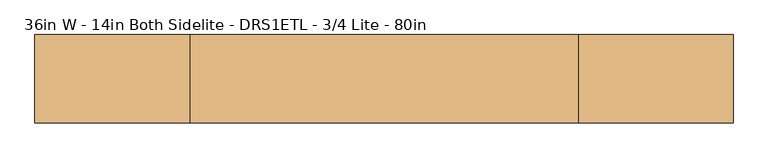
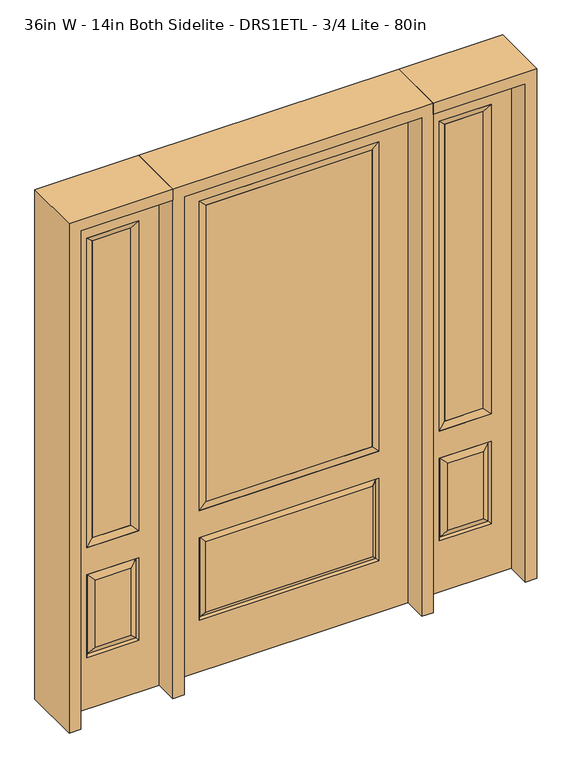
"""IFC4 building model written with IfcOpenShell, lengths in millimetres: door geometry, 36in W - 14in Both Sidelite - DRS1ETL - 3/4 Lite - 80in."""

from ifc_helpers import new_model, si_unit, frame, origin, place, context, project, spatial, polyline, outline, extrude, faceted_brep, source, transform, mapped, element, save


def door_36in_w_14in_both_sidelite_drs1etl_3_4_lite_80in_899e8d08(model_context):
    return source(origin(), model_context, "Body", "SolidModel", [
        faceted_brep([(501.65, -22.225, 0.0), (857.25, -22.225, 0.0), (857.25, -22.225, 2032.0), (501.65, -22.225, 2032.0), (779.78, -22.225, 1919.224), (779.78, -22.225, 657.098), (579.12, -22.225, 657.098), (579.12, -22.225, 1919.224), (779.78, -22.225, 209.55), (579.12, -22.225, 209.55), (579.12, -22.225, 546.1), (779.78, -22.225, 546.1), (610.8351001, -22.225, 241.2651001), (748.0648999, -22.225, 241.2651001), (748.0648999, -22.225, 514.3848999), (610.8351001, -22.225, 514.3848999), (501.65, 22.225, 0.0), (501.65, 22.225, 2032.0), (857.25, 22.225, 2032.0), (857.25, 22.225, 0.0), (779.78, 22.225, 1919.224), (579.12, 22.225, 1919.224), (579.12, 22.225, 657.098), (779.78, 22.225, 657.098), (579.12, 22.225, 209.55), (779.78, 22.225, 209.55), (779.78, 22.225, 546.1), (579.12, 22.225, 546.1), (748.0648999, 22.225, 241.2651001), (610.8351001, 22.225, 241.2651001), (610.8351001, 22.225, 514.3848999), (748.0648999, 22.225, 514.3848999), (772.6711499, 12.7912373, 216.6588501), (586.2288501, 12.7912373, 216.6588501), (586.2288501, 12.7912373, 538.9911499), (772.6711499, 12.7912373, 538.9911499), (586.2288501, -12.7912373, 216.6588501), (772.6711499, -12.7912373, 216.6588501), (586.2288501, -12.7912373, 538.9911499), (772.6711499, -12.7912373, 538.9911499)], [[[0, 1, 2, 3], [4, 5, 6, 7], [8, 9, 10, 11]], [[12, 13, 14, 15]], [[16, 17, 18, 19], [20, 21, 22, 23], [24, 25, 26, 27]], [[28, 29, 30, 31]], [[1, 0, 16, 19]], [[2, 1, 19, 18]], [[3, 2, 18, 17]], [[0, 3, 17, 16]], [[5, 4, 20, 23]], [[6, 5, 23, 22]], [[7, 6, 22, 21]], [[4, 7, 21, 20]], [[32, 33, 29, 28]], [[33, 32, 25, 24]], [[29, 33, 34, 30]], [[33, 24, 27, 34]], [[30, 34, 35, 31]], [[34, 27, 26, 35]], [[32, 28, 31, 35]], [[25, 32, 35, 26]], [[12, 36, 37, 13]], [[37, 36, 9, 8]], [[36, 12, 15, 38]], [[9, 36, 38, 10]], [[38, 15, 14, 39]], [[10, 38, 39, 11]], [[13, 37, 39, 14]], [[37, 8, 11, 39]]]),
        faceted_brep([(579.12, 22.225, 1919.224), (579.12, -22.225, 1919.224), (779.78, -22.225, 1919.224), (779.78, 22.225, 1919.224), (604.52, 12.7, 1893.824), (754.38, 12.7, 1893.824), (604.52, -12.7, 1893.824), (754.38, -12.7, 1893.824), (779.78, -22.225, 657.098), (779.78, 22.225, 657.098), (754.38, 12.7, 682.498), (754.38, -12.7, 682.498), (579.12, -22.225, 657.098), (579.12, 22.225, 657.098), (604.52, 12.7, 682.498), (604.52, -12.7, 682.498)], [[[0, 1, 2, 3]], [[4, 0, 3, 5]], [[6, 4, 5, 7]], [[1, 6, 7, 2]], [[3, 2, 8, 9]], [[5, 3, 9, 10]], [[7, 5, 10, 11]], [[2, 7, 11, 8]], [[9, 8, 12, 13]], [[10, 9, 13, 14]], [[11, 10, 14, 15]], [[8, 11, 15, 12]], [[13, 12, 1, 0]], [[14, 13, 0, 4]], [[15, 14, 4, 6]], [[12, 15, 6, 1]]]),
        extrude(outline(polyline([(754.38, -12.7), (604.52, -12.7), (604.52, 12.7), (754.38, 12.7), (754.38, -12.7)])), frame((0.0, 0.0, 682.498), z_axis=(0.0, 0.0, 1.0), x_axis=(1.0, 0.0, 0.0)), (0.0, 0.0, 1.0), 1211.326),
        faceted_brep([(-857.25, -22.225, 0.0), (-501.65, -22.225, 0.0), (-501.65, -22.225, 2032.0), (-857.25, -22.225, 2032.0), (-579.12, -22.225, 1919.224), (-579.12, -22.225, 657.098), (-779.78, -22.225, 657.098), (-779.78, -22.225, 1919.224), (-579.12, -22.225, 209.55), (-779.78, -22.225, 209.55), (-779.78, -22.225, 546.1), (-579.12, -22.225, 546.1), (-748.0648999, -22.225, 241.2651001), (-610.8351001, -22.225, 241.2651001), (-610.8351001, -22.225, 514.3848999), (-748.0648999, -22.225, 514.3848999), (-857.25, 22.225, 0.0), (-857.25, 22.225, 2032.0), (-501.65, 22.225, 2032.0), (-501.65, 22.225, 0.0), (-579.12, 22.225, 1919.224), (-779.78, 22.225, 1919.224), (-779.78, 22.225, 657.098), (-579.12, 22.225, 657.098), (-779.78, 22.225, 209.55), (-579.12, 22.225, 209.55), (-579.12, 22.225, 546.1), (-779.78, 22.225, 546.1), (-610.8351001, 22.225, 241.2651001), (-748.0648999, 22.225, 241.2651001), (-748.0648999, 22.225, 514.3848999), (-610.8351001, 22.225, 514.3848999), (-586.2288501, 12.7912373, 216.6588501), (-772.6711499, 12.7912373, 216.6588501), (-772.6711499, 12.7912373, 538.9911499), (-586.2288501, 12.7912373, 538.9911499), (-772.6711499, -12.7912373, 216.6588501), (-586.2288501, -12.7912373, 216.6588501), (-772.6711499, -12.7912373, 538.9911499), (-586.2288501, -12.7912373, 538.9911499)], [[[0, 1, 2, 3], [4, 5, 6, 7], [8, 9, 10, 11]], [[12, 13, 14, 15]], [[16, 17, 18, 19], [20, 21, 22, 23], [24, 25, 26, 27]], [[28, 29, 30, 31]], [[1, 0, 16, 19]], [[2, 1, 19, 18]], [[3, 2, 18, 17]], [[0, 3, 17, 16]], [[5, 4, 20, 23]], [[6, 5, 23, 22]], [[7, 6, 22, 21]], [[4, 7, 21, 20]], [[32, 33, 29, 28]], [[33, 32, 25, 24]], [[29, 33, 34, 30]], [[33, 24, 27, 34]], [[30, 34, 35, 31]], [[34, 27, 26, 35]], [[32, 28, 31, 35]], [[25, 32, 35, 26]], [[12, 36, 37, 13]], [[37, 36, 9, 8]], [[36, 12, 15, 38]], [[9, 36, 38, 10]], [[38, 15, 14, 39]], [[10, 38, 39, 11]], [[13, 37, 39, 14]], [[37, 8, 11, 39]]]),
        faceted_brep([(-779.78, 22.225, 1919.224), (-779.78, -22.225, 1919.224), (-579.12, -22.225, 1919.224), (-579.12, 22.225, 1919.224), (-754.38, 12.7, 1893.824), (-604.52, 12.7, 1893.824), (-754.38, -12.7, 1893.824), (-604.52, -12.7, 1893.824), (-579.12, -22.225, 657.098), (-579.12, 22.225, 657.098), (-604.52, 12.7, 682.498), (-604.52, -12.7, 682.498), (-779.78, -22.225, 657.098), (-779.78, 22.225, 657.098), (-754.38, 12.7, 682.498), (-754.38, -12.7, 682.498)], [[[0, 1, 2, 3]], [[4, 0, 3, 5]], [[6, 4, 5, 7]], [[1, 6, 7, 2]], [[3, 2, 8, 9]], [[5, 3, 9, 10]], [[7, 5, 10, 11]], [[2, 7, 11, 8]], [[9, 8, 12, 13]], [[10, 9, 13, 14]], [[11, 10, 14, 15]], [[8, 11, 15, 12]], [[13, 12, 1, 0]], [[14, 13, 0, 4]], [[15, 14, 4, 6]], [[12, 15, 6, 1]]]),
        extrude(outline(polyline([(-604.52, -12.7), (-754.38, -12.7), (-754.38, 12.7), (-604.52, 12.7), (-604.52, -12.7)])), frame((0.0, 0.0, 682.498), z_axis=(0.0, 0.0, 1.0), x_axis=(1.0, 0.0, 0.0)), (0.0, 0.0, 1.0), 1211.326),
        faceted_brep([(-338.9661499, -12.7912373, 216.6588501), (338.9661499, -12.7912373, 216.6588501), (321.46875, -22.225, 234.15625), (-321.46875, -22.225, 234.15625), (-346.075, -22.225, 209.55), (346.075, -22.225, 209.55), (-338.9661499, -12.7912373, 538.9911499), (-346.075, -22.225, 546.1), (321.46875, -22.225, 521.49375), (-321.46875, -22.225, 521.49375), (457.2, -22.225, 2032.0), (-457.2, -22.225, 2032.0), (-457.2, -22.225, 0.0), (457.2, -22.225, 0.0), (346.075, -22.225, 546.1), (346.075, -22.225, 1917.7), (346.075, -22.225, 657.098), (-346.075, -22.225, 657.098), (-346.075, -22.225, 1917.7), (338.9661499, -12.7912373, 538.9911499), (-457.2, 22.225, 2032.0), (-457.2, 22.225, 0.0), (457.2, 22.225, 0.0), (457.2, 22.225, 2032.0), (346.075, 22.225, 1917.7), (346.075, 22.225, 657.098), (-346.075, 22.225, 657.098), (-346.075, 22.225, 1917.7), (-346.075, 22.225, 209.55), (346.075, 22.225, 209.55), (346.075, 22.225, 546.1), (-346.075, 22.225, 546.1), (321.46875, 22.225, 234.15625), (-321.46875, 22.225, 234.15625), (-321.46875, 22.225, 521.49375), (321.46875, 22.225, 521.49375), (-338.9661499, 12.7912373, 216.6588501), (338.9661499, 12.7912373, 216.6588501), (338.9661499, 12.7912373, 538.9911499), (-338.9661499, 12.7912373, 538.9911499)], [[[0, 1, 2, 3]], [[1, 0, 4, 5]], [[4, 0, 6, 7]], [[3, 2, 8, 9]], [[10, 11, 12, 13], [5, 4, 7, 14], [15, 16, 17, 18]], [[1, 5, 14, 19]], [[2, 1, 19, 8]], [[0, 3, 9, 6]], [[7, 6, 19, 14]], [[6, 9, 8, 19]], [[12, 11, 20, 21]], [[13, 12, 21, 22]], [[10, 13, 22, 23]], [[16, 15, 24, 25]], [[17, 16, 25, 26]], [[18, 17, 26, 27]], [[23, 22, 21, 20], [28, 29, 30, 31], [24, 27, 26, 25]], [[32, 33, 34, 35]], [[28, 36, 37, 29]], [[29, 37, 38, 30]], [[39, 31, 30, 38]], [[36, 28, 31, 39]], [[37, 36, 33, 32]], [[33, 36, 39, 34]], [[34, 39, 38, 35]], [[37, 32, 35, 38]], [[11, 10, 23, 20]], [[15, 18, 27, 24]]]),
        faceted_brep([(-346.075, -22.225, 1917.7), (-346.075, 22.225, 1917.7), (-346.075, 22.225, 657.098), (-346.075, -22.225, 657.098), (346.075, 22.225, 657.098), (346.075, -22.225, 657.098), (-320.675, 5.08, 682.498), (320.675, 5.08, 682.498), (346.075, 22.225, 1917.7), (346.075, -22.225, 1917.7), (-320.675, -20.32, 682.498), (320.675, -20.32, 682.498), (-320.675, -20.32, 1892.3), (320.675, -20.32, 1892.3), (-320.675, 5.08, 1892.3), (320.675, 5.08, 1892.3)], [[[0, 1, 2, 3]], [[3, 2, 4, 5]], [[2, 6, 7, 4]], [[5, 4, 8, 9]], [[10, 3, 5, 11]], [[12, 0, 3, 10]], [[11, 5, 9, 13]], [[6, 10, 11, 7]], [[14, 12, 10, 6]], [[7, 11, 13, 15]], [[1, 14, 6, 2]], [[4, 7, 15, 8]], [[9, 8, 1, 0]], [[13, 9, 0, 12]], [[15, 13, 12, 14]], [[8, 15, 14, 1]]]),
        extrude(outline(polyline([(320.675, -20.32), (-320.675, -20.32), (-320.675, 5.08), (320.675, 5.08), (320.675, -20.32)])), frame((0.0, 0.0, 682.498), z_axis=(0.0, 0.0, 1.0), x_axis=(1.0, 0.0, 0.0)), (0.0, 0.0, 1.0), 1209.802),
        extrude(outline(polyline([(2032.0, -501.65), (2076.45, -501.65), (2076.45, -901.7), (0.0, -901.7), (0.0, -857.25), (2032.0, -857.25), (2032.0, -501.65)])), frame((0.0, -114.3, 0.0), z_axis=(0.0, 1.0, 0.0), x_axis=(0.0, 0.0, 1.0)), (0.0, 0.0, 1.0), 228.6),
        extrude(outline(polyline([(2076.45, -501.65), (0.0, -501.65), (0.0, -457.2), (2032.0, -457.2), (2032.0, 457.2), (0.0, 457.2), (0.0, 501.65), (2076.45, 501.65), (2076.45, -501.65)])), frame((0.0, -114.3, 0.0), z_axis=(0.0, 1.0, 0.0), x_axis=(0.0, 0.0, 1.0)), (0.0, 0.0, 1.0), 228.6),
        extrude(outline(polyline([(0.0, 857.25), (0.0, 901.7), (2076.45, 901.7), (2076.45, 501.65), (2032.0, 501.65), (2032.0, 857.25), (0.0, 857.25)])), frame((0.0, -114.3, 0.0), z_axis=(0.0, 1.0, 0.0), x_axis=(0.0, 0.0, 1.0)), (0.0, 0.0, 1.0), 228.6),
    ])


if __name__ == "__main__":
    model = new_model("IFC4")
    model_context = context("Model", 3, world=origin())
    ifc_project = project(units=[si_unit("LENGTHUNIT", "METRE", prefix="MILLI")], contexts=[model_context])
    site = spatial("IfcSite", under=ifc_project)
    building = spatial("IfcBuilding", under=site)
    placement = place(None, origin())
    door_36in_w_14in_both_sidelite_drs1etl_3_4_lite_80in_shape = door_36in_w_14in_both_sidelite_drs1etl_3_4_lite_80in_899e8d08(model_context)
    element("IfcDoor", 1, ObjectType="36in W - 14in Both Sidelite - DRS1ETL - 3/4 Lite - 80in", at=placement, inside=building, context=model_context, shape_type="MappedRepresentation", body=[
        mapped(door_36in_w_14in_both_sidelite_drs1etl_3_4_lite_80in_shape, transform((0.0, 0.0, 0.0), x_axis=(1.0, 0.0, 0.0), y_axis=(0.0, 1.0, 0.0), z_axis=(0.0, 0.0, 1.0))),
    ])
    save(model, "model.ifc")
